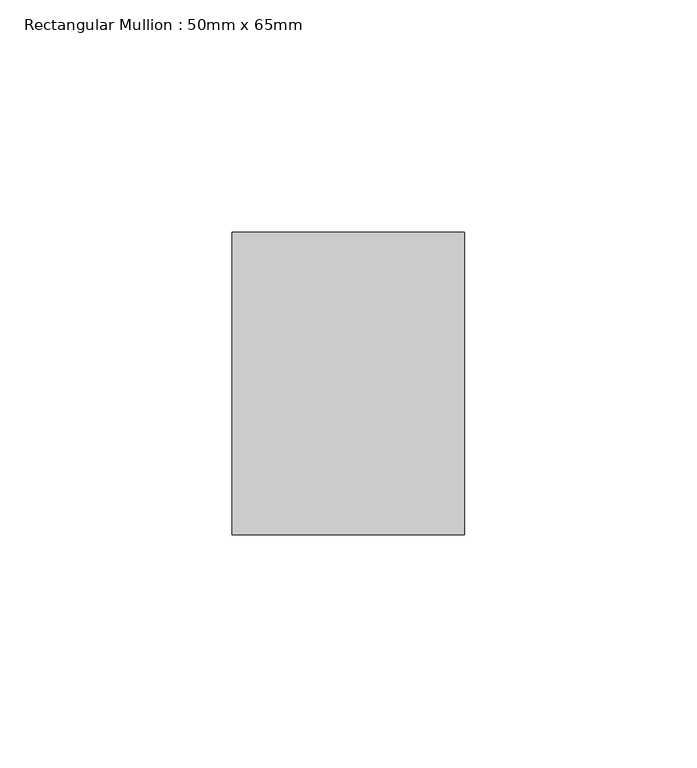
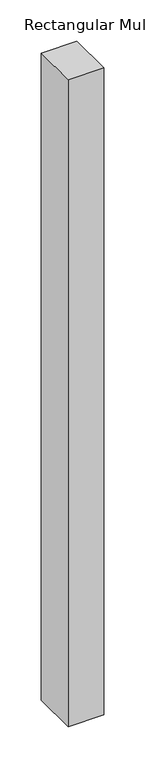
"""IFC4 building model written with IfcOpenShell, lengths in millimetres: member geometry, Rectangular Mullion : 50mm x 65mm."""

from ifc_helpers import new_model, si_unit, frame, origin, place, context, project, spatial, polyline, outline, extrude, source, transform, mapped, element, save


def rectangular_mullion_50mm_x_65mm_14ccff5e(model_context):
    return source(origin(), model_context, "Body", "SweptSolid", [
        extrude(outline(polyline([(25.0, 32.5), (25.0, -32.5), (-25.0, -32.5), (-25.0, 32.5), (25.0, 32.5)])), frame((0.0, 0.0, -957.7640674), z_axis=(0.0, 0.0, 1.0), x_axis=(1.0, 0.0, 0.0)), (0.0, 0.0, 1.0), 957.7640674),
    ])


if __name__ == "__main__":
    model = new_model("IFC4")
    model_context = context("Model", 3, world=origin())
    ifc_project = project(units=[si_unit("LENGTHUNIT", "METRE", prefix="MILLI")], contexts=[model_context])
    site = spatial("IfcSite", under=ifc_project)
    building = spatial("IfcBuilding", under=site)
    placement = place(None, origin())
    rectangular_mullion_50mm_x_65mm_shape = rectangular_mullion_50mm_x_65mm_14ccff5e(model_context)
    element("IfcMember", 1, ObjectType="Rectangular Mullion : 50mm x 65mm", at=placement, inside=building, context=model_context, shape_type="MappedRepresentation", body=[
        mapped(rectangular_mullion_50mm_x_65mm_shape, transform((0.0, 0.0, 0.0), x_axis=(1.0, 0.0, 0.0), y_axis=(0.0, 1.0, 0.0), z_axis=(0.0, 0.0, 1.0))),
    ])
    save(model, "model.ifc")
